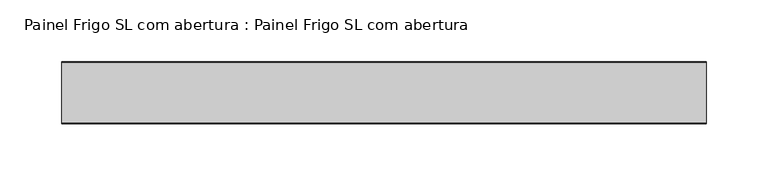
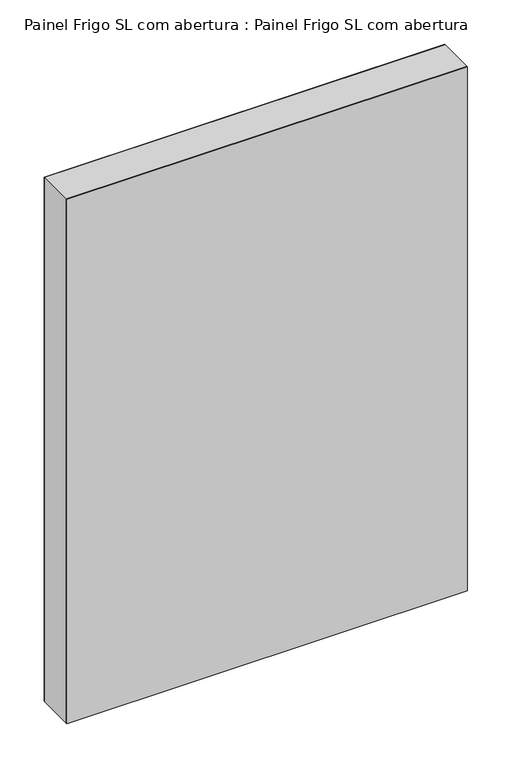
"""IFC4 building model written with IfcOpenShell, lengths in millimetres: proxy geometry, Painel Frigo SL com abertura : Painel Frigo SL com abertura."""

from ifc_helpers import new_model, si_unit, origin, origin_with_axes, place, context, project, spatial, polyline, outline, extrude, source, transform, mapped, element, save


def painel_frigo_sl_com_abertura_painel_frigo_sl_com_abertura_c70dbb48(model_context):
    return source(origin(), model_context, "Body", "SweptSolid", [
        extrude(outline(polyline([(620.0, 24.2), (620.0, -24.2), (100.0, -24.2), (100.0, 24.2), (620.0, 24.2)])), origin_with_axes(), (0.0, 0.0, 1.0), 720.0),
        extrude(outline(polyline([(620.0, -24.2), (620.0, -25.0), (100.0, -25.0), (100.0, -24.2), (620.0, -24.2)])), origin_with_axes(), (0.0, 0.0, 1.0), 720.0),
        extrude(outline(polyline([(620.0, 25.0), (620.0, 24.2), (100.0, 24.2), (100.0, 25.0), (620.0, 25.0)])), origin_with_axes(), (0.0, 0.0, 1.0), 720.0),
    ])


if __name__ == "__main__":
    model = new_model("IFC4")
    model_context = context("Model", 3, world=origin())
    ifc_project = project(units=[si_unit("LENGTHUNIT", "METRE", prefix="MILLI")], contexts=[model_context])
    site = spatial("IfcSite", under=ifc_project)
    building = spatial("IfcBuilding", under=site)
    placement = place(None, origin())
    painel_frigo_sl_com_abertura_painel_frigo_sl_com_abertura_shape = painel_frigo_sl_com_abertura_painel_frigo_sl_com_abertura_c70dbb48(model_context)
    element("IfcBuildingElementProxy", 1, Name="Painel Frigo SL com abertura : Painel Frigo SL com abertura", ObjectType="Painel Frigo SL com abertura : Painel Frigo SL com abertura", at=placement, inside=building, context=model_context, shape_type="MappedRepresentation", body=[
        mapped(painel_frigo_sl_com_abertura_painel_frigo_sl_com_abertura_shape, transform((0.0, 0.0, 0.0), x_axis=(1.0, 0.0, 0.0), y_axis=(0.0, 1.0, 0.0), z_axis=(0.0, 0.0, 1.0))),
    ])
    save(model, "model.ifc")
